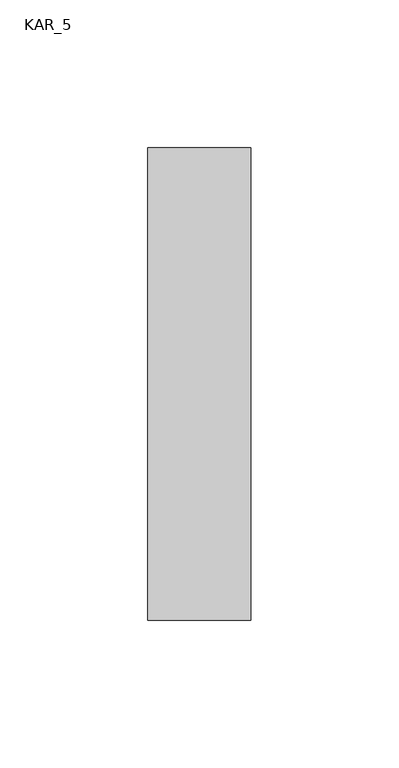
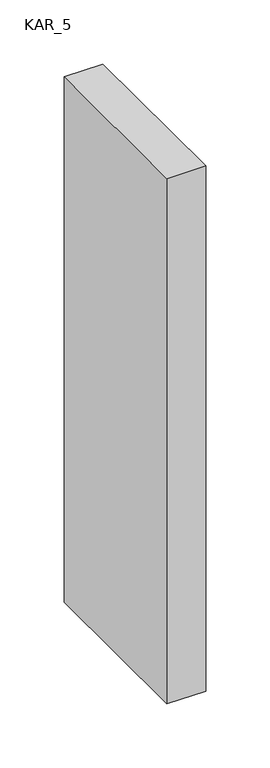
"""IFC4 building model written with IfcOpenShell, lengths in millimetres: proxy geometry, KAR_5."""

from ifc_helpers import new_model, si_unit, frame, origin, place, context, project, spatial, polyline, outline, extrude, source, transform, mapped, element, save


def kar_5_51eaa1cf(model_context):
    return source(origin(), model_context, "Body", "SweptSolid", [
        extrude(outline(polyline([(35.0, 160.0), (35.0, 0.0), (0.0, 0.0), (0.0, 160.0), (35.0, 160.0)])), frame((0.0, 0.0, 1200.0), z_axis=(0.0, 0.0, 1.0), x_axis=(1.0, 0.0, 0.0)), (0.0, 0.0, 1.0), 500.0),
    ])


if __name__ == "__main__":
    model = new_model("IFC4")
    model_context = context("Model", 3, world=origin())
    ifc_project = project(units=[si_unit("LENGTHUNIT", "METRE", prefix="MILLI")], contexts=[model_context])
    site = spatial("IfcSite", under=ifc_project)
    building = spatial("IfcBuilding", under=site)
    placement = place(None, origin())
    kar_5_shape = kar_5_51eaa1cf(model_context)
    element("IfcBuildingElementProxy", 1, Name="KAR_5", ObjectType="KAR_5", at=placement, inside=building, context=model_context, shape_type="MappedRepresentation", body=[
        mapped(kar_5_shape, transform((0.0, 0.0, 0.0), x_axis=(1.0, 0.0, 0.0), y_axis=(0.0, 1.0, 0.0), z_axis=(0.0, 0.0, 1.0))),
    ])
    save(model, "model.ifc")
